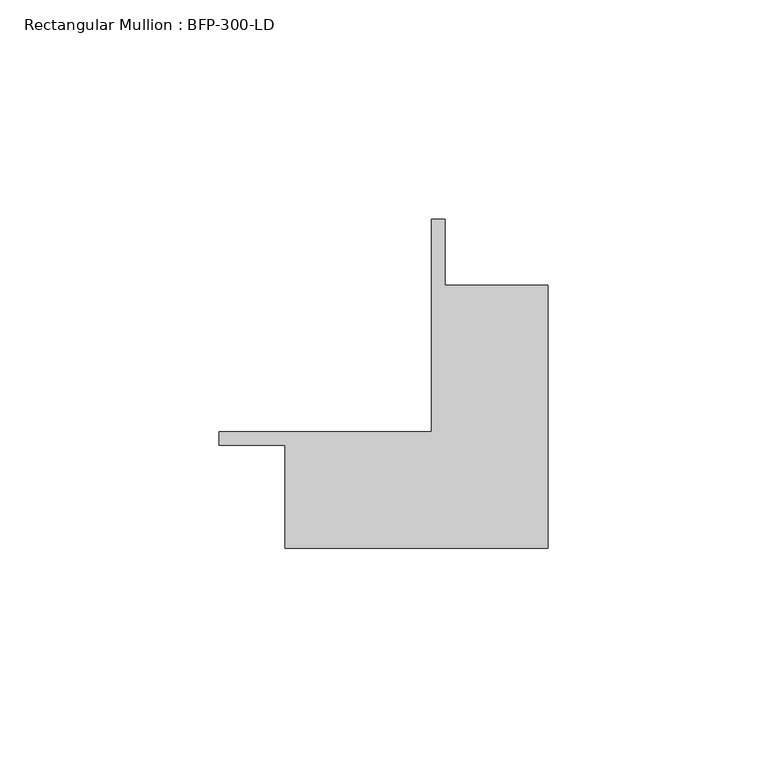
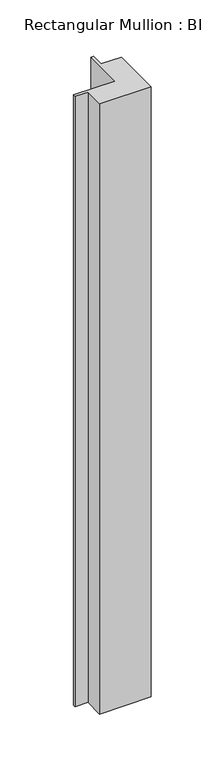
"""IFC4 building model written with IfcOpenShell, lengths in millimetres: member geometry, Rectangular Mullion : BFP-300-LD."""

from ifc_helpers import new_model, si_unit, frame, origin, place, context, project, spatial, polyline, outline, extrude, source, transform, mapped, element, save


def rectangular_mullion_bfp_300_ld_1c3d5f12(model_context):
    return source(origin(), model_context, "Body", "SweptSolid", [
        extrude(outline(polyline([(-75.0, -18.5), (-26.5, -18.5), (-26.5, 30.0), (-23.5, 30.0), (-23.5, 15.0), (0.0, 15.0), (0.0, -45.0), (-60.0, -45.0), (-60.0, -21.5), (-75.0, -21.5), (-75.0, -18.5)])), frame((0.0, 0.0, -750.0), z_axis=(0.0, 0.0, 1.0), x_axis=(1.0, 0.0, 0.0)), (0.0, 0.0, 1.0), 750.0),
    ])


if __name__ == "__main__":
    model = new_model("IFC4")
    model_context = context("Model", 3, world=origin())
    ifc_project = project(units=[si_unit("LENGTHUNIT", "METRE", prefix="MILLI")], contexts=[model_context])
    site = spatial("IfcSite", under=ifc_project)
    building = spatial("IfcBuilding", under=site)
    placement = place(None, origin())
    rectangular_mullion_bfp_300_ld_shape = rectangular_mullion_bfp_300_ld_1c3d5f12(model_context)
    element("IfcMember", 1, ObjectType="Rectangular Mullion : BFP-300-LD", at=placement, inside=building, context=model_context, shape_type="MappedRepresentation", body=[
        mapped(rectangular_mullion_bfp_300_ld_shape, transform((0.0, 0.0, 0.0), x_axis=(1.0, 0.0, 0.0), y_axis=(0.0, 1.0, 0.0), z_axis=(0.0, 0.0, 1.0))),
    ])
    save(model, "model.ifc")
